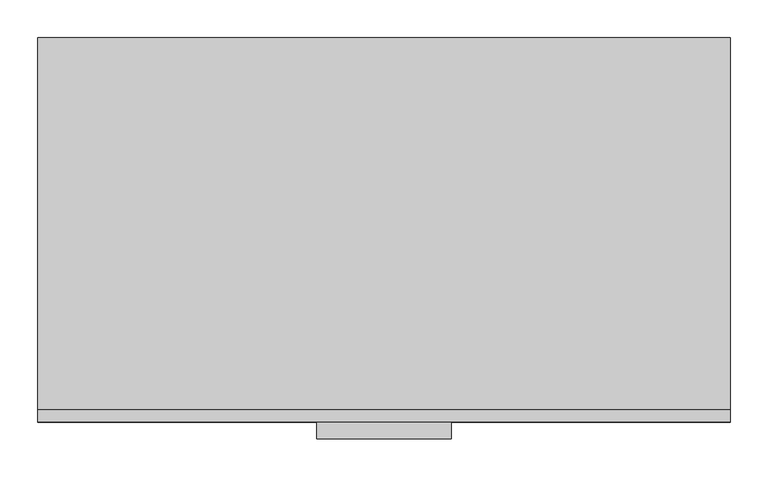
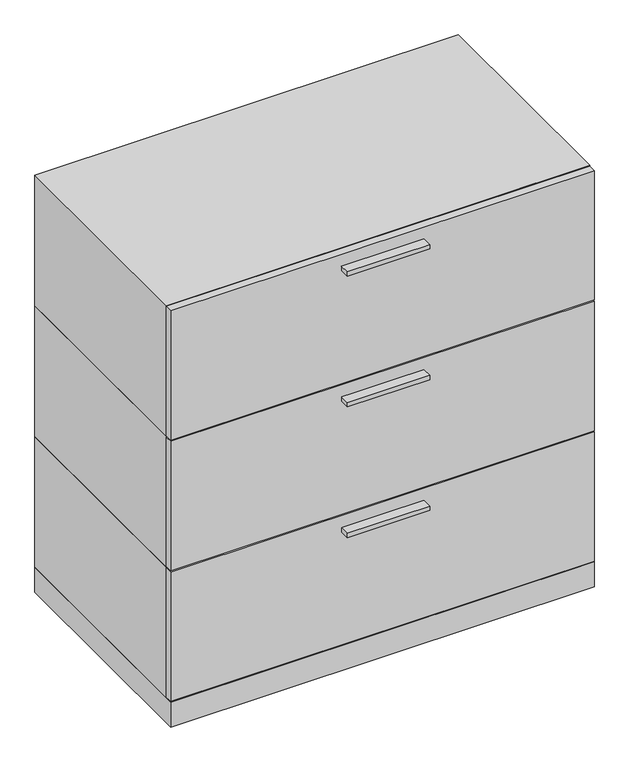
"""IFC4 building model written with IfcOpenShell, lengths in millimetres: furniture geometry."""

from ifc_helpers import new_model, si_unit, frame, origin, origin_with_axes, place, context, project, spatial, polyline, outline, extrude, source, transform, mapped, element, save


def furniture_1ded181a(model_context):
    return source(origin(), model_context, "Body", "SweptSolid", [
        extrude(outline(polyline([(457.2, -237.3376), (457.2, -254.0), (-457.2, -254.0), (-457.2, -237.3376), (457.2, -237.3376)])), frame((0.0, 0.0, 655.6375), z_axis=(0.0, 0.0, 1.0), x_axis=(1.0, 0.0, 0.0)), (0.0, 0.0, 1.0), 295.2877),
        extrude(outline(polyline([(457.2, 254.0), (457.2, -237.3376), (-457.2, -237.3376), (-457.2, 254.0), (457.2, 254.0)])), frame((0.0, 0.0, 654.05), z_axis=(0.0, 0.0, 1.0), x_axis=(1.0, 0.0, 0.0)), (0.0, 0.0, 1.0), 298.45),
        extrude(outline(polyline([(-88.9, -254.0), (88.9, -254.0), (88.9, -276.225), (-88.9, -276.225), (-88.9, -254.0)])), frame((0.0, 0.0, 914.4), z_axis=(0.0, 0.0, 1.0), x_axis=(1.0, 0.0, 0.0)), (0.0, 0.0, 1.0), 9.525),
        extrude(outline(polyline([(457.2, -237.3376), (457.2, -254.0), (-457.2, -254.0), (-457.2, -237.3376), (457.2, -237.3376)])), frame((0.0, 0.0, 357.1875), z_axis=(0.0, 0.0, 1.0), x_axis=(1.0, 0.0, 0.0)), (0.0, 0.0, 1.0), 295.2877),
        extrude(outline(polyline([(457.2, 254.0), (457.2, -237.3376), (-457.2, -237.3376), (-457.2, 254.0), (457.2, 254.0)])), frame((0.0, 0.0, 355.6), z_axis=(0.0, 0.0, 1.0), x_axis=(1.0, 0.0, 0.0)), (0.0, 0.0, 1.0), 298.45),
        extrude(outline(polyline([(-88.9, -254.0), (88.9, -254.0), (88.9, -276.225), (-88.9, -276.225), (-88.9, -254.0)])), frame((0.0, 0.0, 615.95), z_axis=(0.0, 0.0, 1.0), x_axis=(1.0, 0.0, 0.0)), (0.0, 0.0, 1.0), 9.525),
        extrude(outline(polyline([(457.2, -237.3376), (457.2, -254.0), (-457.2, -254.0), (-457.2, -237.3376), (457.2, -237.3376)])), frame((0.0, 0.0, 58.7375), z_axis=(0.0, 0.0, 1.0), x_axis=(1.0, 0.0, 0.0)), (0.0, 0.0, 1.0), 295.2877),
        extrude(outline(polyline([(457.2, 254.0), (457.2, -237.3376), (-457.2, -237.3376), (-457.2, 254.0), (457.2, 254.0)])), frame((0.0, 0.0, 57.15), z_axis=(0.0, 0.0, 1.0), x_axis=(1.0, 0.0, 0.0)), (0.0, 0.0, 1.0), 298.45),
        extrude(outline(polyline([(-88.9, -254.0), (88.9, -254.0), (88.9, -276.225), (-88.9, -276.225), (-88.9, -254.0)])), frame((0.0, 0.0, 317.5), z_axis=(0.0, 0.0, 1.0), x_axis=(1.0, 0.0, 0.0)), (0.0, 0.0, 1.0), 9.525),
        extrude(outline(polyline([(457.2, 254.0), (457.2, -254.0), (-457.2, -254.0), (-457.2, 254.0), (457.2, 254.0)])), origin_with_axes(), (0.0, 0.0, 1.0), 57.15),
    ])


if __name__ == "__main__":
    model = new_model("IFC4")
    model_context = context("Model", 3, world=origin())
    ifc_project = project(units=[si_unit("LENGTHUNIT", "METRE", prefix="MILLI")], contexts=[model_context])
    site = spatial("IfcSite", under=ifc_project)
    building = spatial("IfcBuilding", under=site)
    placement = place(None, origin())
    furniture_shape = furniture_1ded181a(model_context)
    element("IfcFurniture", 1, at=placement, inside=building, context=model_context, shape_type="MappedRepresentation", body=[
        mapped(furniture_shape, transform((0.0, 0.0, 0.0), x_axis=(1.0, 0.0, 0.0), y_axis=(0.0, 1.0, 0.0), z_axis=(0.0, 0.0, 1.0))),
    ])
    save(model, "model.ifc")
